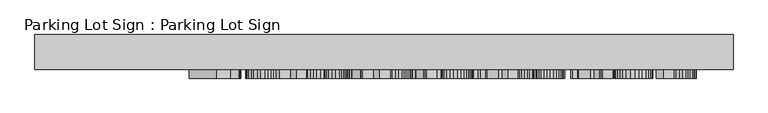
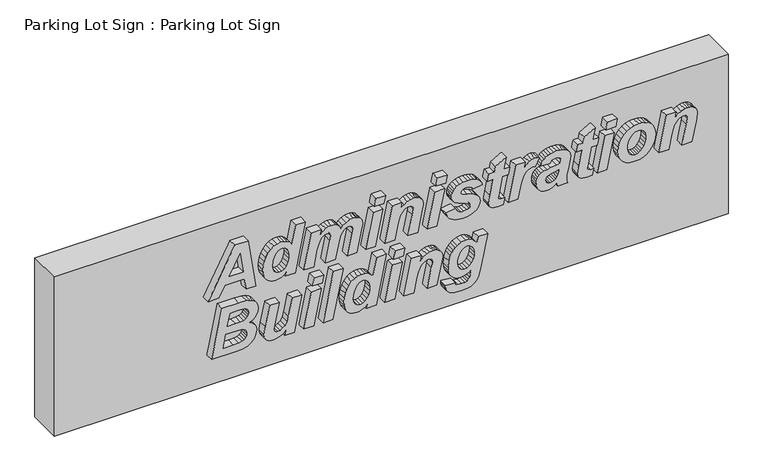
"""IFC4 building model written with IfcOpenShell, lengths in millimetres: proxy geometry, Parking Lot Sign : Parking Lot Sign."""

import ifcopenshell
import ifcopenshell.guid

model = None  # the IFC model being written
_history = None  # IfcOwnerHistory: only IFC2X3 demands one
_inside = {}  # id of a spatial element -> (the spatial element, [elements in it])
_under = {}  # id of a project, library or spatial element -> (it, [spatial elements below it])
_declared = {}  # id of a project -> (the project, [libraries it declares])
_typed = {}  # id of a type object -> (the type object, [elements of that type])
_made_of = {}  # id of a material, layer set ... -> (it, [elements and type objects made of it])


def new_model(schema):
    """Start an empty IFC model of exactly this schema.

    Asked for "IFC4X3", IfcOpenShell would pick the latest addendum, in which some entities
    have other attributes; the version numbers below select the first issue.
    IFC2X3 requires an IfcOwnerHistory on every rooted entity: one is made here for all.
    """
    global model, _history
    if schema == "IFC4X3":
        model = ifcopenshell.file(schema_version=(4, 3, 0, 0))
    else:
        model = ifcopenshell.file(schema=schema)
    _inside.clear()
    _under.clear()
    _declared.clear()
    _typed.clear()
    _made_of.clear()
    _history = None
    if model.schema == "IFC2X3":
        org = make("IfcOrganization", Name="unknown")
        user = make(
            "IfcPersonAndOrganization",
            ThePerson=make("IfcPerson", FamilyName="unknown"),
            TheOrganization=org,
        )
        app = make(
            "IfcApplication",
            ApplicationDeveloper=org,
            Version="unknown",
            ApplicationFullName="unknown",
            ApplicationIdentifier="unknown",
        )
        _history = make(
            "IfcOwnerHistory",
            OwningUser=user,
            OwningApplication=app,
            ChangeAction="ADDED",
            CreationDate=0,
        )
    return model


def make(cls, **values):
    """One entity of the class cls with the attributes given. An attribute that is None is left unset."""
    return model.create_entity(
        cls, **{name: value for name, value in values.items() if value is not None}
    )


def rooted(cls, **values):
    """An entity with a GlobalId (a new one), such as an element, a storey or a relation."""
    return make(cls, GlobalId=ifcopenshell.guid.new(), OwnerHistory=_history, **values)


def si_unit(unit_type, name, prefix=None):
    """IfcSIUnit, for example si_unit("LENGTHUNIT", "METRE", prefix="MILLI")."""
    return make("IfcSIUnit", UnitType=unit_type, Prefix=prefix, Name=name)


def assignment(units):
    """IfcUnitAssignment: the units of a project."""
    return None if units is None else make("IfcUnitAssignment", Units=units)


def point(xyz):
    """IfcCartesianPoint."""
    return None if xyz is None else make("IfcCartesianPoint", Coordinates=xyz)


def direction(xyz):
    """IfcDirection."""
    return None if xyz is None else make("IfcDirection", DirectionRatios=xyz)


def frame(location, z_axis=None, x_axis=None):
    """IfcAxis2Placement3D, a coordinate frame: its origin and axes. An axis left out is left unset."""
    return make(
        "IfcAxis2Placement3D",
        Location=point(location),
        Axis=direction(z_axis),
        RefDirection=direction(x_axis),
    )


def origin():
    """The frame at (0, 0, 0) with its axes left unset."""
    return frame((0.0, 0.0, 0.0))


def place(relative_to, where):
    """IfcLocalPlacement: puts the frame where relative to a parent placement (None: the world)."""
    return make(
        "IfcLocalPlacement", PlacementRelTo=relative_to, RelativePlacement=where
    )


def context(
    kind, dimensions, precision=None, world=None, true_north=None, identifier=None
):
    """IfcGeometricRepresentationContext, for example the 3D "Model" context."""
    return make(
        "IfcGeometricRepresentationContext",
        ContextIdentifier=identifier,
        ContextType=kind,
        CoordinateSpaceDimension=dimensions,
        Precision=precision,
        WorldCoordinateSystem=world,
        TrueNorth=true_north,
    )


def project(units=None, contexts=None):
    """IfcProject with its units and contexts."""
    return rooted(
        "IfcProject",
        Name="project",
        RepresentationContexts=contexts,
        UnitsInContext=assignment(units),
    )


def spatial(cls, under=None, at=None, **own):
    """A site, building, storey or space (cls), placed at a placement, below another one or the project."""
    s = rooted(cls, ObjectPlacement=at, **own)
    if under is not None:
        _under.setdefault(under.id(), (under, []))[1].append(s)
    return s


def polyline(points):
    """IfcPolyline through the points."""
    return make("IfcPolyline", Points=[point(p) for p in points])


def outline(outer, holes=None, kind="AREA"):
    """IfcArbitraryClosedProfileDef: a profile drawn as a closed curve; with holes, ...WithVoids."""
    if holes is None:
        return make("IfcArbitraryClosedProfileDef", ProfileType=kind, OuterCurve=outer)
    return make(
        "IfcArbitraryProfileDefWithVoids",
        ProfileType=kind,
        OuterCurve=outer,
        InnerCurves=holes,
    )


def extrude(swept, where, along, depth):
    """IfcExtrudedAreaSolid: the profile swept, set in the frame where, extruded along a direction by depth."""
    return make(
        "IfcExtrudedAreaSolid",
        SweptArea=swept,
        Position=where,
        ExtrudedDirection=direction(along),
        Depth=depth,
    )


def shape(context_of_items, identifier, shape_type, items):
    """IfcShapeRepresentation: the items that make up one representation, for example the "Body"."""
    return make(
        "IfcShapeRepresentation",
        ContextOfItems=context_of_items,
        RepresentationIdentifier=identifier,
        RepresentationType=shape_type,
        Items=items,
    )


def source(mapping_origin, context_of_items, identifier, shape_type, items):
    """IfcRepresentationMap: a shape defined once, which mapped items show again and again."""
    return make(
        "IfcRepresentationMap",
        MappingOrigin=mapping_origin,
        MappedRepresentation=shape(context_of_items, identifier, shape_type, items),
    )


def transform(
    local_origin,
    x_axis=None,
    y_axis=None,
    z_axis=None,
    scale=None,
    scale2=None,
    scale3=None,
    uniform=True,
):
    """IfcCartesianTransformationOperator3D, or its non-uniform kind. x_axis, y_axis, z_axis: its Axis1, 2, 3."""
    if uniform:
        return make(
            "IfcCartesianTransformationOperator3D",
            Axis1=direction(x_axis),
            Axis2=direction(y_axis),
            LocalOrigin=point(local_origin),
            Scale=scale,
            Axis3=direction(z_axis),
        )
    return make(
        "IfcCartesianTransformationOperator3DnonUniform",
        Axis1=direction(x_axis),
        Axis2=direction(y_axis),
        LocalOrigin=point(local_origin),
        Scale=scale,
        Axis3=direction(z_axis),
        Scale2=scale2,
        Scale3=scale3,
    )


def mapped(mapping_source, mapping_target):
    """IfcMappedItem: shows the shape of a source again, moved by a transform."""
    return make(
        "IfcMappedItem", MappingSource=mapping_source, MappingTarget=mapping_target
    )


def made_of(thing, what):
    """Note that an element or type object is made of a material, layer set ...; save() writes the relation."""
    if what is not None:
        _made_of.setdefault(what.id(), (what, []))[1].append(thing)
    return thing


def element(
    cls,
    number,
    at=None,
    inside=None,
    cuts=None,
    type_object=None,
    material=None,
    context=None,
    identifier="Body",
    shape_type=None,
    held_by="IfcProductDefinitionShape",
    body=None,
    shapes=None,
    **own,
):
    """One element of the class cls, such as IfcWall. Its Tag is "e" and its number.

    at: its placement. inside: the storey or other place that contains it. cuts: it is an
    opening in that element (IfcRelVoidsElement). A single representation is given by context,
    identifier, shape_type and body (its items); several are given by shapes. held_by: the class
    of the entity that holds the representations. save() writes the other relations.
    """
    e = rooted(cls, Tag="e%d" % number, ObjectPlacement=at, **own)
    if body is not None:
        shapes = [shape(context, identifier, shape_type, body)]
    if shapes is not None:
        e.Representation = make(held_by, Representations=shapes)
    if inside is not None:
        _inside.setdefault(inside.id(), (inside, []))[1].append(e)
    if cuts is not None:
        rooted(
            "IfcRelVoidsElement", RelatingBuildingElement=cuts, RelatedOpeningElement=e
        )
    if type_object is not None:
        _typed.setdefault(type_object.id(), (type_object, []))[1].append(e)
    return made_of(e, material)


def aggregate(whole, parts):
    """IfcRelAggregates: a whole, such as a stair, and the parts it consists of."""
    return rooted("IfcRelAggregates", RelatingObject=whole, RelatedObjects=parts)


def save(model, path):
    """Write the relations noted so far, then the file.

    IfcRelAggregates (storeys below a building ...), IfcRelContainedInSpatialStructure (elements
    in a storey), IfcRelDefinesByType, IfcRelAssociatesMaterial and IfcRelDeclares: one each for
    every whole, place, type object, material and project.
    """
    for whole, parts in _under.values():
        aggregate(whole, parts)
    for where, things in _inside.values():
        rooted(
            "IfcRelContainedInSpatialStructure",
            RelatedElements=things,
            RelatingStructure=where,
        )
    for kind, things in _typed.values():
        rooted("IfcRelDefinesByType", RelatedObjects=things, RelatingType=kind)
    for what, things in _made_of.values():
        rooted("IfcRelAssociatesMaterial", RelatedObjects=things, RelatingMaterial=what)
    for by, libraries in _declared.values():
        rooted("IfcRelDeclares", RelatingContext=by, RelatedDefinitions=libraries)
    model.write(path)


def parking_lot_sign_parking_lot_sign_4c785a06(model_context):
    return source(origin(), model_context, "Body", "SweptSolid", [
        extrude(outline(polyline([(1091.4055546, -1372.5923682), (989.9319987, -1357.3033838), (989.9319987, -1269.5332881), (1446.5630001, -1338.0505886), (1446.5630001, -1459.2299466), (989.9319987, -1701.1356557), (989.9319987, -1603.7391623), (1091.4055546, -1549.9445875), (1091.4055546, -1372.5923682)]), holes=[polyline([(1163.8866659, -1383.4645349), (1163.8866659, -1511.5522489), (1352.3375553, -1411.6642173), (1163.8866659, -1383.4645349)])]), frame((0.0, -228.6, 0.0), z_axis=(0.0, 1.0, 0.0), x_axis=(0.0, 0.0, 1.0)), (0.0, 0.0, 1.0), 76.2),
        extrude(outline(polyline([(989.9319987, -913.5830804), (1446.5630001, -820.3769013), (1446.5630001, -908.9397592), (1277.8179128, -943.3682871), (1300.9071105, -961.976963), (1317.3993946, -984.7334838), (1327.2947651, -1011.6378495), (1330.5932219, -1042.69006), (1326.5657071, -1077.5326645), (1314.4831624, -1108.7866046), (1294.345588, -1136.4518804), (1266.1529839, -1160.5284917), (1232.9702251, -1180.025486), (1197.8621868, -1193.9519105), (1160.828869, -1202.3077651), (1121.8702717, -1205.09305), (1089.5935268, -1203.153614), (1061.5070961, -1197.3353061), (1037.6109797, -1187.6381261), (1017.9051776, -1174.0620742), (1002.4958632, -1157.3645213), (991.4892101, -1138.3028385), (984.8852182, -1116.8770256), (982.6838876, -1093.0870827), (985.1612693, -1065.7934142), (992.5934145, -1041.4442909), (1005.7164595, -1018.3975625), (1025.2665405, -995.0110789), (989.9319987, -1002.1459383), (989.9319987, -913.5830804)]), holes=[polyline([(1124.7015651, -1118.1157164), (1174.6314244, -1112.0142791), (1220.9089152, -1093.7099672), (1240.3563618, -1080.6612437), (1254.2473951, -1065.9208224), (1262.5820151, -1049.4887033), (1265.3602217, -1031.3648863), (1259.7259479, -1008.3464709), (1242.8231262, -988.2159747), (1216.8035397, -974.2010723), (1183.8189715, -969.5294382), (1151.0467503, -972.5872351), (1116.8305694, -981.7606257), (1086.3800088, -996.0161881), (1064.9046482, -1014.3205), (1052.1638279, -1035.4277924), (1047.9168878, -1058.0922961), (1052.9990594, -1081.4504668), (1068.2455745, -1100.7882008), (1092.5239155, -1113.7838375), (1124.7015651, -1118.1157164)])]), frame((0.0, -228.6, 0.0), z_axis=(0.0, 1.0, 0.0), x_axis=(0.0, 0.0, 1.0)), (0.0, 0.0, 1.0), 76.2),
        extrude(outline(polyline([(1323.3451108, -768.0545991), (989.9319987, -835.4393823), (989.9319987, -746.9897761), (1140.7833117, -716.4118072), (1192.3128517, -700.6698159), (1214.4535662, -691.609677), (1232.177463, -680.9640137), (1246.0224877, -668.5629486), (1256.5265863, -654.2366039), (1263.1518129, -639.2024359), (1265.3602217, -624.6779007), (1263.2509082, -611.01691), (1256.9229674, -600.6119067), (1247.3107263, -594.0291495), (1235.3485116, -591.8348971), (1190.3875722, -598.9697565), (989.9319987, -639.7403817), (989.9319987, -551.1775238), (1137.9520182, -520.5995549), (1193.5869338, -505.5936998), (1229.3461696, -487.7565513), (1245.1023174, -474.0530912), (1256.3567087, -459.4436172), (1263.1093435, -443.9281293), (1265.3602217, -427.5066276), (1263.1376564, -412.9254665), (1256.4699604, -402.4779938), (1245.9517054, -396.1925224), (1232.177463, -394.0973653), (1189.0285514, -403.0442525), (989.9319987, -444.0413811), (989.9319987, -355.4785232), (1189.0285514, -314.4813946), (1246.9001887, -302.5899622), (1281.0031178, -308.1109844), (1295.2622193, -315.0122621), (1307.6597453, -324.6740509), (1317.6931413, -336.8132214), (1324.8598528, -351.1466443), (1329.1598797, -367.6743195), (1330.5932219, -386.3962472), (1326.3038124, -420.3151423), (1313.4355839, -452.9882683), (1294.1969451, -481.3012024), (1270.7963051, -502.1395219), (1295.7541565, -511.4403207), (1314.681353, -528.0175437), (1326.6152547, -552.5223881), (1330.5932219, -585.6060516), (1327.2239828, -612.411322), (1317.1162653, -638.5795514), (1300.2700695, -664.1107397), (1276.6853954, -689.004887), (1323.3451108, -679.6049929), (1323.3451108, -768.0545991)])), frame((0.0, -228.6, 0.0), z_axis=(0.0, 1.0, 0.0), x_axis=(0.0, 0.0, 1.0)), (0.0, 0.0, 1.0), 76.2),
        extrude(outline(polyline([(1446.5630001, -184.1286459), (1374.0818887, -198.9646234), (1374.0818887, -110.4017655), (1446.5630001, -95.565788), (1446.5630001, -184.1286459)])), frame((0.0, -228.6, 0.0), z_axis=(0.0, 1.0, 0.0), x_axis=(0.0, 0.0, 1.0)), (0.0, 0.0, 1.0), 76.2),
        extrude(outline(polyline([(1323.3451108, -209.2705314), (989.9319987, -277.334825), (989.9319987, -188.7719671), (1323.3451108, -120.7076735), (1323.3451108, -209.2705314)])), frame((0.0, -228.6, 0.0), z_axis=(0.0, 1.0, 0.0), x_axis=(0.0, 0.0, 1.0)), (0.0, 0.0, 1.0), 76.2),
        extrude(outline(polyline([(1323.3451108, -35.9953746), (989.9319987, -103.3801578), (989.9319987, -14.9305517), (1125.2678238, 12.4763686), (1175.1552137, 26.038264), (1204.7705427, 38.1845127), (1229.4027954, 54.0822252), (1248.7122165, 75.0479529), (1261.1982204, 97.4859532), (1265.3602217, 117.8004835), (1262.7695883, 133.5283184), (1254.9976879, 145.3772813), (1242.695718, 152.8094265), (1226.5148761, 155.2868082), (1176.4576086, 145.3206554), (989.9319987, 106.815065), (989.9319987, 195.3779229), (1175.7780982, 233.7702616), (1240.331588, 247.0207147), (1259.761339, 245.5555204), (1277.1667153, 241.1599374), (1292.5477167, 233.8339657), (1305.9043434, 223.5776053), (1316.7057278, 210.7872373), (1324.4210023, 195.8592428), (1329.050167, 178.7936218), (1330.5932219, 159.5903742), (1327.3938604, 129.8759499), (1317.7957757, 101.662111), (1300.6664506, 73.1651428), (1274.8733676, 42.6013305), (1323.3451108, 52.4542315), (1323.3451108, -35.9953746)])), frame((0.0, -228.6, 0.0), z_axis=(0.0, 1.0, 0.0), x_axis=(0.0, 0.0, 1.0)), (0.0, 0.0, 1.0), 76.2),
        extrude(outline(polyline([(1446.5630001, 373.9759113), (1374.0818887, 359.1399338), (1374.0818887, 447.7027917), (1446.5630001, 462.5387692), (1446.5630001, 373.9759113)])), frame((0.0, -228.6, 0.0), z_axis=(0.0, 1.0, 0.0), x_axis=(0.0, 0.0, 1.0)), (0.0, 0.0, 1.0), 76.2),
        extrude(outline(polyline([(1323.3451108, 348.8340258), (989.9319987, 280.7697322), (989.9319987, 369.3325901), (1323.3451108, 437.3968837), (1323.3451108, 348.8340258)])), frame((0.0, -228.6, 0.0), z_axis=(0.0, 1.0, 0.0), x_axis=(0.0, 0.0, 1.0)), (0.0, 0.0, 1.0), 76.2),
        extrude(outline(polyline([(1084.8369538, 447.4762883), (1061.9070163, 455.9418556), (1041.7021987, 467.5218456), (1024.222501, 482.2162584), (1009.4679232, 500.025094), (997.7499076, 521.4013592), (989.3798965, 546.7980611), (984.3578898, 576.2151997), (982.6838876, 609.6527749), (984.8533661, 643.2637668), (991.3618019, 672.8614003), (1002.2091948, 698.4456754), (1017.3955448, 720.016592), (1035.5405964, 737.1352998), (1055.2640942, 749.3629482), (1076.566038, 756.6995373), (1099.4464278, 759.145067), (1117.0712293, 757.2764133), (1133.3653229, 751.6704524), (1148.3287086, 742.3271841), (1161.9613864, 729.2466086), (1180.5629841, 697.6493741), (1199.4477111, 645.2138201), (1217.0017303, 597.1950839), (1226.0052433, 588.1915708), (1236.7075324, 585.1903998), (1247.3673521, 587.9367544), (1256.6964639, 596.1758182), (1263.1942823, 610.6720405), (1265.3602217, 632.1898704), (1262.5572413, 655.4064764), (1254.1482998, 674.9990268), (1243.7008272, 686.2392616), (1229.1196661, 693.9120668), (1242.3701192, 780.8894004), (1261.6441491, 775.1666486), (1278.8088655, 766.4922734), (1293.8642682, 754.8662748), (1306.8103573, 740.2886529), (1317.2153606, 722.3347135), (1324.6475058, 700.5797628), (1329.1067929, 675.0238006), (1330.5932219, 645.6668271), (1328.108762, 608.6830569), (1320.6553821, 576.5549549), (1308.2330822, 549.2825211), (1290.8418624, 526.8657555), (1275.9421809, 514.3302039), (1259.669322, 505.3762385), (1242.0232858, 500.0038593), (1223.0040723, 498.2130662), (1204.1901276, 500.1029546), (1187.2731495, 505.7726196), (1172.2531379, 515.2220614), (1159.130093, 528.4512798), (1140.6700599, 563.1063112), (1116.5474401, 628.5658149), (1107.3457365, 652.9432511), (1099.6729313, 665.5991327), (1092.1133779, 670.5255832), (1083.7044365, 672.1677334), (1071.5581877, 668.9683718), (1061.3938444, 659.3702872), (1051.2861269, 637.8524572), (1047.9168878, 610.2190335), (1050.7906506, 583.5765625), (1059.411939, 563.2195629), (1074.9698963, 547.4209457), (1098.6536657, 534.4536219), (1084.8369538, 447.4762883)])), frame((0.0, -228.6, 0.0), z_axis=(0.0, 1.0, 0.0), x_axis=(0.0, 0.0, 1.0)), (0.0, 0.0, 1.0), 76.2),
        extrude(outline(polyline([(1258.1121106, 824.3780672), (1258.1121106, 872.7365586), (1119.4919852, 845.3296384), (1050.2951742, 831.6261783), (1021.9539272, 837.0056358), (1010.3951718, 843.7299576), (1000.5776619, 853.1440082), (992.7491356, 865.5167604), (987.1573312, 881.1171871), (982.6838876, 922.001064), (986.9874536, 969.3402898), (1047.9168878, 983.8365121), (1045.8783565, 954.0513054), (1047.3223161, 939.4135185), (1051.6541951, 930.155189), (1058.562551, 925.2287385), (1067.7359416, 923.5865883), (1110.545098, 932.1937203), (1258.1121106, 961.52592), (1258.1121106, 1012.8289566), (1323.3451108, 1027.3251789), (1323.3451108, 974.5498697), (1432.0667778, 996.2942031), (1374.0818887, 896.2929198), (1323.3451108, 885.6472566), (1323.3451108, 838.8742894), (1258.1121106, 824.3780672)])), frame((0.0, -228.6, 0.0), z_axis=(0.0, 1.0, 0.0), x_axis=(0.0, 0.0, 1.0)), (0.0, 0.0, 1.0), 76.2),
        extrude(outline(polyline([(1323.3451108, 1080.2137398), (989.9319987, 1012.8289566), (989.9319987, 1101.2785628), (1092.8778271, 1122.0036306), (1148.1446745, 1135.2257708), (1186.197258, 1148.6177886), (1212.6840078, 1164.7278481), (1233.2533545, 1186.1041134), (1246.4613382, 1209.8869781), (1250.8639995, 1233.2168358), (1246.5604335, 1259.2647352), (1320.7403209, 1295.5052908), (1328.1299967, 1274.5537196), (1330.5932219, 1254.9611692), (1326.169326, 1228.7150792), (1312.8976381, 1203.4316291), (1290.7781583, 1179.1108187), (1259.8108867, 1155.752648), (1323.3451108, 1168.663346), (1323.3451108, 1080.2137398)])), frame((0.0, -228.6, 0.0), z_axis=(0.0, 1.0, 0.0), x_axis=(0.0, 0.0, 1.0)), (0.0, 0.0, 1.0), 76.2),
        extrude(outline(polyline([(1229.1196661, 1389.7307355), (1244.4794328, 1396.8939079), (1255.9037018, 1408.4172721), (1262.9960917, 1424.6405833), (1265.3602217, 1445.9035968), (1262.88284, 1465.581086), (1255.4506948, 1479.765866), (1244.3378682, 1488.3446851), (1230.8184421, 1491.2042914), (1200.1272216, 1485.3152011), (1193.2188656, 1453.3782114), (1187.4430271, 1400.3763988), (1183.107609, 1365.5974983), (1175.9904452, 1336.5732017), (1166.0915356, 1313.303509), (1153.4108803, 1295.7884202), (1138.1608261, 1282.9803566), (1120.5537202, 1273.8317398), (1100.5895626, 1268.3425697), (1078.2683531, 1266.5128463), (1058.1661699, 1268.1620747), (1039.9892662, 1273.1097599), (1023.737642, 1281.355902), (1009.4112974, 1292.9005009), (997.7180556, 1306.9791074), (989.36574, 1322.8272722), (984.3543507, 1340.4449955), (982.6838876, 1359.8322771), (985.515181, 1385.228979), (994.0090612, 1410.4558033), (1007.8823989, 1434.1537292), (1026.8520648, 1454.9637357), (989.9319987, 1462.2118469), (989.9319987, 1550.7747048), (1014.7907549, 1544.1494782), (1037.2712245, 1541.9410693), (1070.0009764, 1545.3952473), (1120.6245026, 1555.7577812), (1209.5837415, 1575.4069575), (1241.5773571, 1578.181625), (1259.4959053, 1576.2740411), (1275.9917285, 1570.5512893), (1291.0648268, 1561.0133696), (1304.7152002, 1547.660282), (1316.0368347, 1530.322149), (1324.1237165, 1508.8290929), (1328.9758456, 1483.1811137), (1330.5932219, 1453.3782114), (1329.0324715, 1424.2477413), (1324.35022, 1398.1255205), (1316.5464675, 1375.0115489), (1305.6212141, 1354.9058266), (1291.9212931, 1337.6951018), (1275.793538, 1323.2661227), (1257.2379488, 1311.6188894), (1236.2545255, 1302.7534019), (1229.1196661, 1389.7307355)]), holes=[polyline([(1142.1423325, 1472.7442584), (1130.3641519, 1470.1394684), (1102.2494083, 1463.0753914), (1082.6851709, 1455.0203616), (1068.7835202, 1444.3180725), (1057.6565371, 1429.3122174), (1050.3518001, 1411.5741642), (1047.9168878, 1392.6752807), (1050.5783036, 1376.7350988), (1058.562551, 1364.2490948), (1070.4256704, 1356.1799086), (1084.7237021, 1353.4901799), (1101.5982108, 1357.0009837), (1114.6221605, 1367.5333952), (1128.2689948, 1398.564371), (1138.1785217, 1452.0191906), (1142.1423325, 1472.7442584)])]), frame((0.0, -228.6, 0.0), z_axis=(0.0, 1.0, 0.0), x_axis=(0.0, 0.0, 1.0)), (0.0, 0.0, 1.0), 76.2),
        extrude(outline(polyline([(1258.1121106, 1628.9184029), (1258.1121106, 1677.2768944), (1119.4919852, 1649.8699742), (1050.2951742, 1636.1665141), (1021.9539272, 1641.5459715), (1010.3951718, 1648.2702934), (1000.5776619, 1657.684344), (992.7491356, 1670.0570962), (987.1573312, 1685.6575229), (982.6838876, 1726.5413997), (986.9874536, 1773.8806256), (1047.9168878, 1788.3768479), (1045.8783565, 1758.5916412), (1047.3223161, 1743.9538542), (1051.6541951, 1734.6955248), (1058.562551, 1729.7690742), (1067.7359416, 1728.1269241), (1110.545098, 1736.734056), (1258.1121106, 1766.0662558), (1258.1121106, 1817.3692924), (1323.3451108, 1831.8655146), (1323.3451108, 1779.0902055), (1432.0667778, 1800.8345389), (1374.0818887, 1700.8332556), (1323.3451108, 1690.1875923), (1323.3451108, 1643.4146252), (1258.1121106, 1628.9184029)])), frame((0.0, -228.6, 0.0), z_axis=(0.0, 1.0, 0.0), x_axis=(0.0, 0.0, 1.0)), (0.0, 0.0, 1.0), 76.2),
        extrude(outline(polyline([(1446.5630001, 1910.5754715), (1374.0818887, 1895.739494), (1374.0818887, 1984.3023519), (1446.5630001, 1999.1383294), (1446.5630001, 1910.5754715)])), frame((0.0, -228.6, 0.0), z_axis=(0.0, 1.0, 0.0), x_axis=(0.0, 0.0, 1.0)), (0.0, 0.0, 1.0), 76.2),
        extrude(outline(polyline([(1323.3451108, 1885.433586), (989.9319987, 1817.3692924), (989.9319987, 1905.9321503), (1323.3451108, 1973.9964439), (1323.3451108, 1885.433586)])), frame((0.0, -228.6, 0.0), z_axis=(0.0, 1.0, 0.0), x_axis=(0.0, 0.0, 1.0)), (0.0, 0.0, 1.0), 76.2),
        extrude(outline(polyline([(1128.4388724, 2005.8201818), (1090.2871937, 2010.2228431), (1054.6553661, 2023.4308269), (1024.1764925, 2045.5998543), (1001.4836758, 2076.8856465), (987.3838346, 2115.3487675), (982.6838876, 2159.0497813), (986.3610299, 2199.6434505), (997.3924568, 2235.9193974), (1015.7781684, 2267.8776218), (1041.5181647, 2295.5181237), (1072.2978631, 2317.8145593), (1105.8026816, 2333.7405847), (1142.0326199, 2343.2962), (1180.9876781, 2346.4814051), (1213.4980047, 2343.933241), (1242.5116839, 2336.2887488), (1268.0287158, 2323.5479285), (1290.0491003, 2305.71078), (1307.7871535, 2283.3364838), (1320.4571915, 2256.9842204), (1328.0592143, 2226.6539897), (1330.5932219, 2192.3457918), (1327.1602787, 2152.5165717), (1316.8614489, 2116.7219448), (1299.6967326, 2084.9619109), (1275.6661298, 2057.2364702), (1245.8667666, 2034.741844), (1211.3957693, 2018.6742539), (1172.2531379, 2009.0336999), (1128.4388724, 2005.8201818)]), holes=[polyline([(1192.7658587, 2259.5040715), (1160.949199, 2257.2602715), (1131.6382339, 2250.5288714), (1104.8329636, 2239.3098712), (1080.5333879, 2223.603271), (1066.2636691, 2210.2820355), (1056.0710128, 2195.4602145), (1049.955419, 2179.137808), (1047.9168878, 2161.314816), (1053.3246582, 2134.2759639), (1069.5479694, 2112.2768141), (1094.9446713, 2097.6673401), (1127.8726137, 2092.7975154), (1159.0309977, 2095.9402511), (1192.9357363, 2105.3684582), (1224.0374944, 2120.4592521), (1246.786937, 2140.5897482), (1260.7169006, 2164.8822457), (1265.3602217, 2192.4590435), (1260.4054583, 2219.3138615), (1245.5411679, 2240.7609091), (1222.4378136, 2254.8182809), (1192.7658587, 2259.5040715)])]), frame((0.0, -228.6, 0.0), z_axis=(0.0, 1.0, 0.0), x_axis=(0.0, 0.0, 1.0)), (0.0, 0.0, 1.0), 76.2),
        extrude(outline(polyline([(1323.3451108, 2442.8586328), (989.9319987, 2375.4738496), (989.9319987, 2463.9234558), (1125.2678238, 2491.330376), (1175.1552137, 2504.8922714), (1204.7705427, 2517.0385202), (1229.4027954, 2532.9362327), (1248.7122165, 2553.9019604), (1261.1982204, 2576.3399607), (1265.3602217, 2596.6544909), (1262.7695883, 2612.3823258), (1254.9976879, 2624.2312887), (1242.695718, 2631.6634339), (1226.5148761, 2634.1408157), (1176.4576086, 2624.1746629), (989.9319987, 2585.6690725), (989.9319987, 2674.2319304), (1175.7780982, 2712.624269), (1240.331588, 2725.8747222), (1259.761339, 2724.4095279), (1277.1667153, 2720.0139448), (1292.5477167, 2712.6879731), (1305.9043434, 2702.4316127), (1316.7057278, 2689.6412448), (1324.4210023, 2674.7132503), (1329.050167, 2657.6476292), (1330.5932219, 2638.4443817), (1327.3938604, 2608.7299573), (1317.7957757, 2580.5161185), (1300.6664506, 2552.0191503), (1274.8733676, 2521.4553379), (1323.3451108, 2531.308239), (1323.3451108, 2442.8586328)])), frame((0.0, -228.6, 0.0), z_axis=(0.0, 1.0, 0.0), x_axis=(0.0, 0.0, 1.0)), (0.0, 0.0, 1.0), 76.2),
        extrude(outline(polyline([(425.0867839, -1668.9721625), (425.0867839, -1458.7769397), (429.121377, -1396.4177023), (441.2251563, -1348.8661295), (450.582581, -1329.8752289), (462.5164828, -1313.0502678), (477.0268615, -1298.3912462), (494.1137172, -1285.898164), (531.8973278, -1268.7829953), (571.7477826, -1263.0779391), (601.1790776, -1267.4664439), (627.411011, -1280.6319582), (648.2917999, -1301.6118424), (661.6696613, -1329.4434567), (679.4643404, -1293.5001868), (704.0824366, -1268.3441448), (734.646249, -1253.5223238), (770.2780766, -1248.5817168), (797.5434321, -1251.5828878), (822.2606236, -1260.5864009), (843.367916, -1275.3374396), (859.8035742, -1295.5811875), (871.5392854, -1321.119454), (878.5467366, -1351.7540487), (881.7177852, -1421.8568736), (881.7177852, -1575.7659834), (425.0867839, -1668.9721625)]), holes=[polyline([(693.2668958, -1525.8219677), (809.2366739, -1502.1523547), (809.2366739, -1426.6134465), (807.1981426, -1375.3104099), (801.2099571, -1358.3792753), (791.1730219, -1345.8649584), (777.4554054, -1338.1355274), (760.4251755, -1335.5590504), (741.9792989, -1338.305405), (724.6942526, -1346.5444689), (710.3254386, -1360.2762419), (700.6282586, -1379.5007242), (695.1072365, -1408.4931687), (693.2668958, -1451.5288285), (693.2668958, -1525.8219677)]), polyline([(497.5678952, -1565.6865789), (620.7857844, -1540.5446934), (620.7857844, -1425.141174), (616.9635383, -1390.4861426), (605.4968, -1367.3827884), (588.1692843, -1354.3871516), (566.7647062, -1350.0552727), (547.908292, -1353.0564437), (530.0711435, -1362.0599567), (515.1785402, -1376.0607027), (505.1557615, -1394.0535723), (499.4648618, -1423.6830578), (497.5678952, -1472.5936515), (497.5678952, -1565.6865789)])]), frame((0.0, -228.6, 0.0), z_axis=(0.0, 1.0, 0.0), x_axis=(0.0, 0.0, 1.0)), (0.0, 0.0, 1.0), 76.2),
        extrude(outline(polyline([(758.499896, -1144.2768676), (571.5212791, -1186.18001), (502.3244681, -1197.6184354), (467.6269674, -1192.0266309), (453.219223, -1185.0368753), (440.7721494, -1175.2512175), (430.7387533, -1163.0164908), (423.5720419, -1148.6795288), (417.8386727, -1113.6988987), (421.1583642, -1083.4111374), (431.1174388, -1054.27005), (447.7158964, -1026.2756364), (470.9537371, -999.4278966), (425.0867839, -1008.8277908), (425.0867839, -920.8311915), (758.499896, -852.7668979), (758.499896, -941.3297558), (595.8704024, -974.1727594), (550.7962113, -986.4039469), (520.841127, -1003.9013402), (500.6256921, -1024.9661632), (487.4318648, -1047.8996398), (483.0716729, -1070.5499871), (485.6481499, -1085.0886788), (493.3775809, -1096.7677641), (504.7027546, -1104.4547257), (518.0664595, -1107.0170463), (562.121385, -1099.0894247), (758.499896, -1055.7140096), (758.499896, -1144.2768676)])), frame((0.0, -228.6, 0.0), z_axis=(0.0, 1.0, 0.0), x_axis=(0.0, 0.0, 1.0)), (0.0, 0.0, 1.0), 76.2),
        extrude(outline(polyline([(881.7177852, -742.2332032), (809.2366739, -757.0691806), (809.2366739, -668.5063227), (881.7177852, -653.6703452), (881.7177852, -742.2332032)])), frame((0.0, -228.6, 0.0), z_axis=(0.0, 1.0, 0.0), x_axis=(0.0, 0.0, 1.0)), (0.0, 0.0, 1.0), 76.2),
        extrude(outline(polyline([(758.499896, -767.3750886), (425.0867839, -835.4393823), (425.0867839, -746.8765243), (758.499896, -678.8122307), (758.499896, -767.3750886)])), frame((0.0, -228.6, 0.0), z_axis=(0.0, 1.0, 0.0), x_axis=(0.0, 0.0, 1.0)), (0.0, 0.0, 1.0), 76.2),
        extrude(outline(polyline([(425.0867839, -661.4847151), (425.0867839, -572.9218572), (881.7177852, -479.8289298), (881.7177852, -568.278536), (425.0867839, -661.4847151)])), frame((0.0, -228.6, 0.0), z_axis=(0.0, 1.0, 0.0), x_axis=(0.0, 0.0, 1.0)), (0.0, 0.0, 1.0), 76.2),
        extrude(outline(polyline([(425.0867839, -181.523856), (881.7177852, -88.3176769), (881.7177852, -176.8805348), (712.9726979, -211.3090627), (736.0618957, -229.9177386), (752.5541798, -252.6742594), (762.4495503, -279.578625), (765.7480071, -310.6308355), (761.7204922, -345.4734401), (749.6379476, -376.7273802), (729.5003732, -404.392656), (701.3077691, -428.4692673), (668.1250103, -447.9662616), (633.016972, -461.892686), (595.9836542, -470.2485407), (557.0250568, -473.0338256), (524.7483119, -471.0943896), (496.6618813, -465.2760817), (472.7657649, -455.5789017), (453.0599628, -442.0028498), (437.6506484, -425.3052969), (426.6439952, -406.243614), (420.0400033, -384.8178011), (417.8386727, -361.0278583), (420.3160545, -333.7341898), (427.7481997, -309.3850664), (440.8712446, -286.3383381), (460.4213256, -262.9518545), (425.0867839, -270.0867139), (425.0867839, -181.523856)]), holes=[polyline([(559.8563502, -386.056492), (609.7862095, -379.9550547), (656.0637003, -361.6507428), (675.511147, -348.6020193), (689.4021803, -333.861598), (697.7368002, -317.4294788), (700.5150069, -299.3056619), (694.880733, -276.2872465), (677.9779113, -256.1567503), (651.9583249, -242.1418479), (618.9737567, -237.4702138), (586.2015354, -240.5280107), (551.9853545, -249.7014013), (521.5347939, -263.9569637), (500.0594334, -282.2612756), (487.318613, -303.3685679), (483.0716729, -326.0330717), (488.1538446, -349.3912423), (503.4003596, -368.7289763), (527.6787006, -381.7246131), (559.8563502, -386.056492)])]), frame((0.0, -228.6, 0.0), z_axis=(0.0, 1.0, 0.0), x_axis=(0.0, 0.0, 1.0)), (0.0, 0.0, 1.0), 76.2),
        extrude(outline(polyline([(881.7177852, -10.1739787), (809.2366739, -25.0099562), (809.2366739, 63.5529017), (881.7177852, 78.3888792), (881.7177852, -10.1739787)])), frame((0.0, -228.6, 0.0), z_axis=(0.0, 1.0, 0.0), x_axis=(0.0, 0.0, 1.0)), (0.0, 0.0, 1.0), 76.2),
        extrude(outline(polyline([(758.499896, -35.3158642), (425.0867839, -103.3801578), (425.0867839, -14.8172999), (758.499896, 53.2469937), (758.499896, -35.3158642)])), frame((0.0, -228.6, 0.0), z_axis=(0.0, 1.0, 0.0), x_axis=(0.0, 0.0, 1.0)), (0.0, 0.0, 1.0), 76.2),
        extrude(outline(polyline([(758.499896, 137.9592925), (425.0867839, 70.5745094), (425.0867839, 159.0241155), (560.4226089, 186.4310357), (610.3099988, 199.9929312), (639.9253279, 212.1391799), (664.5575806, 228.0368924), (683.8670016, 249.0026201), (696.3530056, 271.4406204), (700.5150069, 291.7551506), (697.9243734, 307.4829855), (690.152473, 319.3319485), (677.8505031, 326.7640937), (661.6696613, 329.2414754), (611.6123938, 319.2753226), (425.0867839, 280.7697322), (425.0867839, 369.3325901), (610.9328834, 407.7249288), (675.4863731, 420.9753819), (694.9161242, 419.5101876), (712.3215004, 415.1146046), (727.7025019, 407.7886329), (741.0591286, 397.5322725), (751.8605129, 384.7419045), (759.5757875, 369.81391), (764.2049522, 352.748289), (765.7480071, 333.5450414), (762.5486455, 303.830617), (752.9505609, 275.6167782), (735.8212357, 247.11981), (710.0281528, 216.5559976), (758.499896, 226.4088987), (758.499896, 137.9592925)])), frame((0.0, -228.6, 0.0), z_axis=(0.0, 1.0, 0.0), x_axis=(0.0, 0.0, 1.0)), (0.0, 0.0, 1.0), 76.2),
        extrude(outline(polyline([(396.0943393, 445.0980018), (384.7691657, 444.1919879), (362.2603831, 446.5455006), (343.2057784, 453.6060385), (327.6053517, 465.3736017), (315.459103, 481.8481903), (306.3423382, 502.9307088), (299.8303633, 528.5220622), (294.6207835, 593.2312731), (299.4339823, 649.3475085), (305.8043924, 673.5125978), (315.2892254, 694.251822), (327.6336646, 711.6359635), (342.5828938, 725.7358047), (361.6374985, 737.4998289), (386.2980641, 747.8765192), (477.9753448, 771.602758), (758.499896, 829.3611436), (758.499896, 740.9115374), (699.7222447, 728.7936016), (727.5113896, 711.1688001), (748.3638656, 687.7398471), (761.4019717, 660.0639541), (765.7480071, 629.6983322), (759.5050051, 589.7912516), (740.7759992, 550.705246), (726.8071053, 532.4469427), (709.8724316, 516.3475005), (689.9719781, 502.4069196), (667.1057447, 490.6251999), (615.9725856, 474.5717662), (559.969602, 469.2206217), (528.8855394, 471.1883706), (501.7723659, 477.0916174), (478.6300814, 486.930362), (459.4586859, 500.7046044), (444.4209787, 517.5508002), (433.6797594, 536.6054049), (427.2350277, 557.8684184), (425.0867839, 581.3398408), (427.4721486, 606.6232909), (434.6282427, 631.51036), (446.5550661, 656.001048), (463.252619, 680.0953549), (447.7371311, 676.8110546), (397.2268567, 663.6738532), (381.3716136, 654.1890202), (370.4994469, 642.269275), (362.5151995, 621.7423977), (359.8537837, 595.4963078), (363.3645875, 559.4256298), (371.8584677, 540.3427122), (378.0590003, 535.9258944), (386.6944452, 534.4536219), (396.0943393, 445.0980018)]), holes=[polyline([(567.7839718, 556.1979553), (593.6903065, 558.7178064), (622.711064, 566.2773598), (657.2811565, 581.3115278), (681.4887152, 599.9131255), (695.758434, 621.2893908), (700.5150069, 644.6475614), (695.121393, 667.9774191), (678.9405511, 688.3627317), (653.9543868, 702.5475117), (622.1448053, 707.2757717), (591.0005778, 704.3595395), (558.7238329, 695.6108428), (529.6464495, 681.369437), (508.1003067, 661.9750771), (494.7649147, 639.664485), (490.3197841, 616.6743825), (495.2745475, 592.9056743), (510.1388379, 573.4688451), (534.4596483, 560.5156777), (567.7839718, 556.1979553)])]), frame((0.0, -228.6, 0.0), z_axis=(0.0, 1.0, 0.0), x_axis=(0.0, 0.0, 1.0)), (0.0, 0.0, 1.0), 76.2),
        extrude(outline(polyline([(3048.0, 152.4), (3048.0, -152.4), (-3048.0, -152.4), (-3048.0, 152.4), (3048.0, 152.4)])), frame((0.0, 0.0, 127.0), z_axis=(0.0, 0.0, 1.0), x_axis=(1.0, 0.0, 0.0)), (0.0, 0.0, 1.0), 1524.0),
    ])


if __name__ == "__main__":
    model = new_model("IFC4")
    model_context = context("Model", 3, world=origin())
    ifc_project = project(units=[si_unit("LENGTHUNIT", "METRE", prefix="MILLI")], contexts=[model_context])
    site = spatial("IfcSite", under=ifc_project)
    building = spatial("IfcBuilding", under=site)
    placement = place(None, origin())
    parking_lot_sign_parking_lot_sign_shape = parking_lot_sign_parking_lot_sign_4c785a06(model_context)
    element("IfcBuildingElementProxy", 1, Name="Parking Lot Sign : Parking Lot Sign", ObjectType="Parking Lot Sign : Parking Lot Sign", at=placement, inside=building, context=model_context, shape_type="MappedRepresentation", body=[
        mapped(parking_lot_sign_parking_lot_sign_shape, transform((0.0, 0.0, 0.0), x_axis=(1.0, 0.0, 0.0), y_axis=(0.0, 1.0, 0.0), z_axis=(0.0, 0.0, 1.0))),
    ])
    save(model, "model.ifc")
